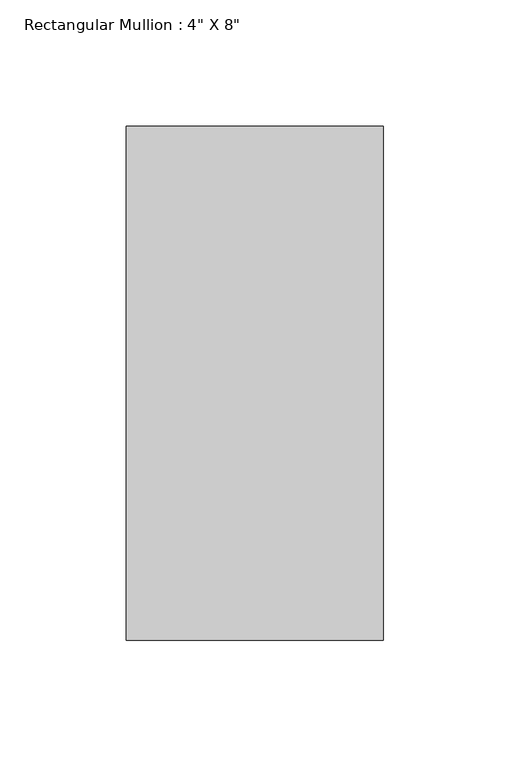
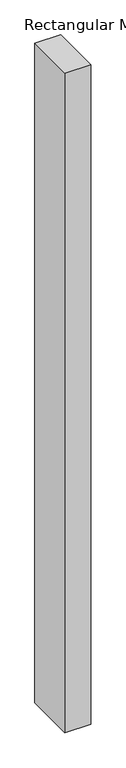
"""IFC4 building model written with IfcOpenShell, lengths in millimetres: member geometry."""

from ifc_helpers import new_model, si_unit, frame, origin, place, context, project, spatial, polyline, outline, extrude, source, transform, mapped, element, save


def member_d9093ee7(model_context):
    return source(origin(), model_context, "Body", "SweptSolid", [
        extrude(outline(polyline([(0.0, 63.5), (0.0, -139.7), (-101.6, -139.7), (-101.6, 63.5), (0.0, 63.5)])), frame((0.0, 0.0, -2743.2), z_axis=(0.0, 0.0, 1.0), x_axis=(1.0, 0.0, 0.0)), (0.0, 0.0, 1.0), 2743.2),
    ])


if __name__ == "__main__":
    model = new_model("IFC4")
    model_context = context("Model", 3, world=origin())
    ifc_project = project(units=[si_unit("LENGTHUNIT", "METRE", prefix="MILLI")], contexts=[model_context])
    site = spatial("IfcSite", under=ifc_project)
    building = spatial("IfcBuilding", under=site)
    placement = place(None, origin())
    member_shape = member_d9093ee7(model_context)
    element("IfcMember", 1, ObjectType="Rectangular Mullion : 4\" X 8\"", at=placement, inside=building, context=model_context, shape_type="MappedRepresentation", body=[
        mapped(member_shape, transform((0.0, 0.0, 0.0), x_axis=(1.0, 0.0, 0.0), y_axis=(0.0, 1.0, 0.0), z_axis=(0.0, 0.0, 1.0))),
    ])
    save(model, "model.ifc")
